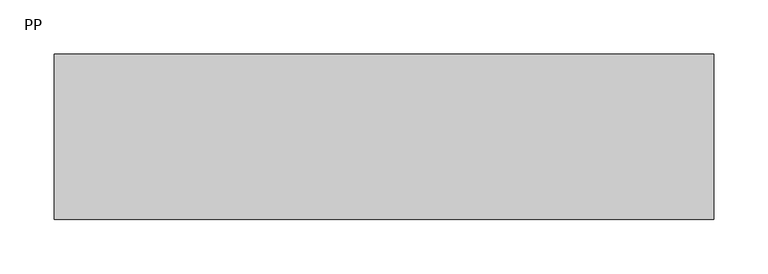
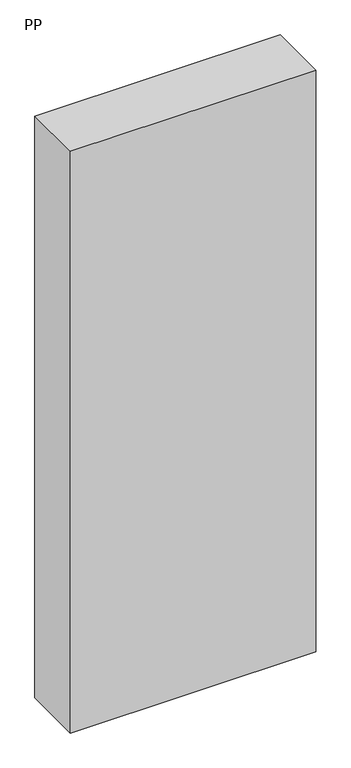
"""IFC4 building model written with IfcOpenShell, lengths in millimetres: proxy geometry, PP."""

from ifc_helpers import new_model, si_unit, frame, origin, place, context, project, spatial, polyline, outline, extrude, source, transform, mapped, element, save


def pp_0764c961(model_context):
    return source(origin(), model_context, "Body", "SweptSolid", [
        extrude(outline(polyline([(304.8, 0.0), (-302.8065819, 0.0), (-302.8065819, 152.4), (304.8, 152.4), (304.8, 0.0)])), frame((0.0, 0.0, 304.8), z_axis=(0.0, 0.0, 1.0), x_axis=(1.0, 0.0, 0.0)), (0.0, 0.0, 1.0), 1524.0),
    ])


if __name__ == "__main__":
    model = new_model("IFC4")
    model_context = context("Model", 3, world=origin())
    ifc_project = project(units=[si_unit("LENGTHUNIT", "METRE", prefix="MILLI")], contexts=[model_context])
    site = spatial("IfcSite", under=ifc_project)
    building = spatial("IfcBuilding", under=site)
    placement = place(None, origin())
    pp_shape = pp_0764c961(model_context)
    element("IfcBuildingElementProxy", 1, Name="PP", ObjectType="PP", at=placement, inside=building, context=model_context, shape_type="MappedRepresentation", body=[
        mapped(pp_shape, transform((0.0, 0.0, 0.0), x_axis=(1.0, 0.0, 0.0), y_axis=(0.0, 1.0, 0.0), z_axis=(0.0, 0.0, 1.0))),
    ])
    save(model, "model.ifc")
